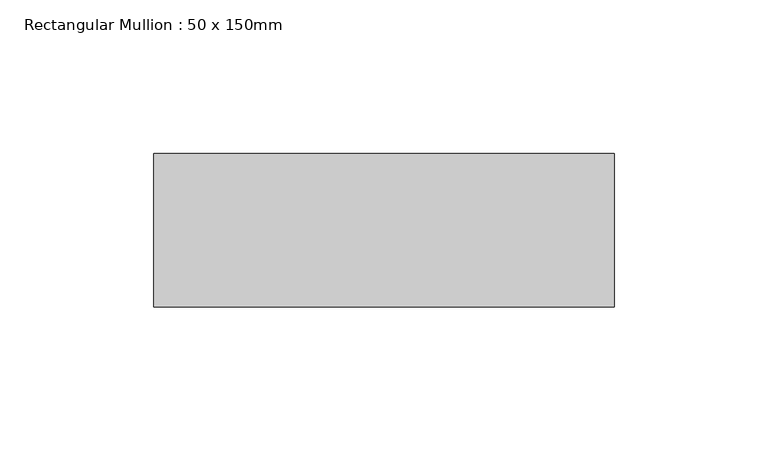
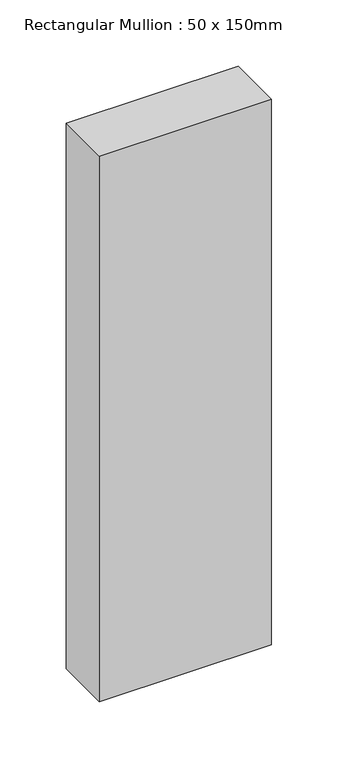
"""IFC4 building model written with IfcOpenShell, lengths in millimetres: member geometry, Rectangular Mullion : 50 x 150mm."""

import ifcopenshell
import ifcopenshell.guid

model = None  # the IFC model being written
_history = None  # IfcOwnerHistory: only IFC2X3 demands one
_inside = {}  # id of a spatial element -> (the spatial element, [elements in it])
_under = {}  # id of a project, library or spatial element -> (it, [spatial elements below it])
_declared = {}  # id of a project -> (the project, [libraries it declares])
_typed = {}  # id of a type object -> (the type object, [elements of that type])
_made_of = {}  # id of a material, layer set ... -> (it, [elements and type objects made of it])


def new_model(schema):
    """Start an empty IFC model of exactly this schema.

    Asked for "IFC4X3", IfcOpenShell would pick the latest addendum, in which some entities
    have other attributes; the version numbers below select the first issue.
    IFC2X3 requires an IfcOwnerHistory on every rooted entity: one is made here for all.
    """
    global model, _history
    if schema == "IFC4X3":
        model = ifcopenshell.file(schema_version=(4, 3, 0, 0))
    else:
        model = ifcopenshell.file(schema=schema)
    _inside.clear()
    _under.clear()
    _declared.clear()
    _typed.clear()
    _made_of.clear()
    _history = None
    if model.schema == "IFC2X3":
        org = make("IfcOrganization", Name="unknown")
        user = make(
            "IfcPersonAndOrganization",
            ThePerson=make("IfcPerson", FamilyName="unknown"),
            TheOrganization=org,
        )
        app = make(
            "IfcApplication",
            ApplicationDeveloper=org,
            Version="unknown",
            ApplicationFullName="unknown",
            ApplicationIdentifier="unknown",
        )
        _history = make(
            "IfcOwnerHistory",
            OwningUser=user,
            OwningApplication=app,
            ChangeAction="ADDED",
            CreationDate=0,
        )
    return model


def make(cls, **values):
    """One entity of the class cls with the attributes given. An attribute that is None is left unset."""
    return model.create_entity(
        cls, **{name: value for name, value in values.items() if value is not None}
    )


def rooted(cls, **values):
    """An entity with a GlobalId (a new one), such as an element, a storey or a relation."""
    return make(cls, GlobalId=ifcopenshell.guid.new(), OwnerHistory=_history, **values)


def si_unit(unit_type, name, prefix=None):
    """IfcSIUnit, for example si_unit("LENGTHUNIT", "METRE", prefix="MILLI")."""
    return make("IfcSIUnit", UnitType=unit_type, Prefix=prefix, Name=name)


def assignment(units):
    """IfcUnitAssignment: the units of a project."""
    return None if units is None else make("IfcUnitAssignment", Units=units)


def point(xyz):
    """IfcCartesianPoint."""
    return None if xyz is None else make("IfcCartesianPoint", Coordinates=xyz)


def direction(xyz):
    """IfcDirection."""
    return None if xyz is None else make("IfcDirection", DirectionRatios=xyz)


def frame(location, z_axis=None, x_axis=None):
    """IfcAxis2Placement3D, a coordinate frame: its origin and axes. An axis left out is left unset."""
    return make(
        "IfcAxis2Placement3D",
        Location=point(location),
        Axis=direction(z_axis),
        RefDirection=direction(x_axis),
    )


def origin():
    """The frame at (0, 0, 0) with its axes left unset."""
    return frame((0.0, 0.0, 0.0))


def place(relative_to, where):
    """IfcLocalPlacement: puts the frame where relative to a parent placement (None: the world)."""
    return make(
        "IfcLocalPlacement", PlacementRelTo=relative_to, RelativePlacement=where
    )


def context(
    kind, dimensions, precision=None, world=None, true_north=None, identifier=None
):
    """IfcGeometricRepresentationContext, for example the 3D "Model" context."""
    return make(
        "IfcGeometricRepresentationContext",
        ContextIdentifier=identifier,
        ContextType=kind,
        CoordinateSpaceDimension=dimensions,
        Precision=precision,
        WorldCoordinateSystem=world,
        TrueNorth=true_north,
    )


def project(units=None, contexts=None):
    """IfcProject with its units and contexts."""
    return rooted(
        "IfcProject",
        Name="project",
        RepresentationContexts=contexts,
        UnitsInContext=assignment(units),
    )


def spatial(cls, under=None, at=None, **own):
    """A site, building, storey or space (cls), placed at a placement, below another one or the project."""
    s = rooted(cls, ObjectPlacement=at, **own)
    if under is not None:
        _under.setdefault(under.id(), (under, []))[1].append(s)
    return s


def polyline(points):
    """IfcPolyline through the points."""
    return make("IfcPolyline", Points=[point(p) for p in points])


def outline(outer, holes=None, kind="AREA"):
    """IfcArbitraryClosedProfileDef: a profile drawn as a closed curve; with holes, ...WithVoids."""
    if holes is None:
        return make("IfcArbitraryClosedProfileDef", ProfileType=kind, OuterCurve=outer)
    return make(
        "IfcArbitraryProfileDefWithVoids",
        ProfileType=kind,
        OuterCurve=outer,
        InnerCurves=holes,
    )


def extrude(swept, where, along, depth):
    """IfcExtrudedAreaSolid: the profile swept, set in the frame where, extruded along a direction by depth."""
    return make(
        "IfcExtrudedAreaSolid",
        SweptArea=swept,
        Position=where,
        ExtrudedDirection=direction(along),
        Depth=depth,
    )


def shape(context_of_items, identifier, shape_type, items):
    """IfcShapeRepresentation: the items that make up one representation, for example the "Body"."""
    return make(
        "IfcShapeRepresentation",
        ContextOfItems=context_of_items,
        RepresentationIdentifier=identifier,
        RepresentationType=shape_type,
        Items=items,
    )


def source(mapping_origin, context_of_items, identifier, shape_type, items):
    """IfcRepresentationMap: a shape defined once, which mapped items show again and again."""
    return make(
        "IfcRepresentationMap",
        MappingOrigin=mapping_origin,
        MappedRepresentation=shape(context_of_items, identifier, shape_type, items),
    )


def transform(
    local_origin,
    x_axis=None,
    y_axis=None,
    z_axis=None,
    scale=None,
    scale2=None,
    scale3=None,
    uniform=True,
):
    """IfcCartesianTransformationOperator3D, or its non-uniform kind. x_axis, y_axis, z_axis: its Axis1, 2, 3."""
    if uniform:
        return make(
            "IfcCartesianTransformationOperator3D",
            Axis1=direction(x_axis),
            Axis2=direction(y_axis),
            LocalOrigin=point(local_origin),
            Scale=scale,
            Axis3=direction(z_axis),
        )
    return make(
        "IfcCartesianTransformationOperator3DnonUniform",
        Axis1=direction(x_axis),
        Axis2=direction(y_axis),
        LocalOrigin=point(local_origin),
        Scale=scale,
        Axis3=direction(z_axis),
        Scale2=scale2,
        Scale3=scale3,
    )


def mapped(mapping_source, mapping_target):
    """IfcMappedItem: shows the shape of a source again, moved by a transform."""
    return make(
        "IfcMappedItem", MappingSource=mapping_source, MappingTarget=mapping_target
    )


def made_of(thing, what):
    """Note that an element or type object is made of a material, layer set ...; save() writes the relation."""
    if what is not None:
        _made_of.setdefault(what.id(), (what, []))[1].append(thing)
    return thing


def element(
    cls,
    number,
    at=None,
    inside=None,
    cuts=None,
    type_object=None,
    material=None,
    context=None,
    identifier="Body",
    shape_type=None,
    held_by="IfcProductDefinitionShape",
    body=None,
    shapes=None,
    **own,
):
    """One element of the class cls, such as IfcWall. Its Tag is "e" and its number.

    at: its placement. inside: the storey or other place that contains it. cuts: it is an
    opening in that element (IfcRelVoidsElement). A single representation is given by context,
    identifier, shape_type and body (its items); several are given by shapes. held_by: the class
    of the entity that holds the representations. save() writes the other relations.
    """
    e = rooted(cls, Tag="e%d" % number, ObjectPlacement=at, **own)
    if body is not None:
        shapes = [shape(context, identifier, shape_type, body)]
    if shapes is not None:
        e.Representation = make(held_by, Representations=shapes)
    if inside is not None:
        _inside.setdefault(inside.id(), (inside, []))[1].append(e)
    if cuts is not None:
        rooted(
            "IfcRelVoidsElement", RelatingBuildingElement=cuts, RelatedOpeningElement=e
        )
    if type_object is not None:
        _typed.setdefault(type_object.id(), (type_object, []))[1].append(e)
    return made_of(e, material)


def aggregate(whole, parts):
    """IfcRelAggregates: a whole, such as a stair, and the parts it consists of."""
    return rooted("IfcRelAggregates", RelatingObject=whole, RelatedObjects=parts)


def save(model, path):
    """Write the relations noted so far, then the file.

    IfcRelAggregates (storeys below a building ...), IfcRelContainedInSpatialStructure (elements
    in a storey), IfcRelDefinesByType, IfcRelAssociatesMaterial and IfcRelDeclares: one each for
    every whole, place, type object, material and project.
    """
    for whole, parts in _under.values():
        aggregate(whole, parts)
    for where, things in _inside.values():
        rooted(
            "IfcRelContainedInSpatialStructure",
            RelatedElements=things,
            RelatingStructure=where,
        )
    for kind, things in _typed.values():
        rooted("IfcRelDefinesByType", RelatedObjects=things, RelatingType=kind)
    for what, things in _made_of.values():
        rooted("IfcRelAssociatesMaterial", RelatedObjects=things, RelatingMaterial=what)
    for by, libraries in _declared.values():
        rooted("IfcRelDeclares", RelatingContext=by, RelatedDefinitions=libraries)
    model.write(path)


def rectangular_mullion_50_x_150mm_edd06898(model_context):
    return source(origin(), model_context, "Body", "SweptSolid", [
        extrude(outline(polyline([(150.0, 50.0), (150.0, 0.0), (0.0, 0.0), (0.0, 50.0), (150.0, 50.0)])), frame((0.0, 0.0, -503.0), z_axis=(0.0, 0.0, 1.0), x_axis=(1.0, 0.0, 0.0)), (0.0, 0.0, 1.0), 503.0),
    ])


if __name__ == "__main__":
    model = new_model("IFC4")
    model_context = context("Model", 3, world=origin())
    ifc_project = project(units=[si_unit("LENGTHUNIT", "METRE", prefix="MILLI")], contexts=[model_context])
    site = spatial("IfcSite", under=ifc_project)
    building = spatial("IfcBuilding", under=site)
    placement = place(None, origin())
    rectangular_mullion_50_x_150mm_shape = rectangular_mullion_50_x_150mm_edd06898(model_context)
    element("IfcMember", 1, ObjectType="Rectangular Mullion : 50 x 150mm", at=placement, inside=building, context=model_context, shape_type="MappedRepresentation", body=[
        mapped(rectangular_mullion_50_x_150mm_shape, transform((0.0, 0.0, 0.0), x_axis=(1.0, 0.0, 0.0), y_axis=(0.0, 1.0, 0.0), z_axis=(0.0, 0.0, 1.0))),
    ])
    save(model, "model.ifc")
